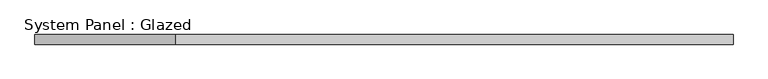
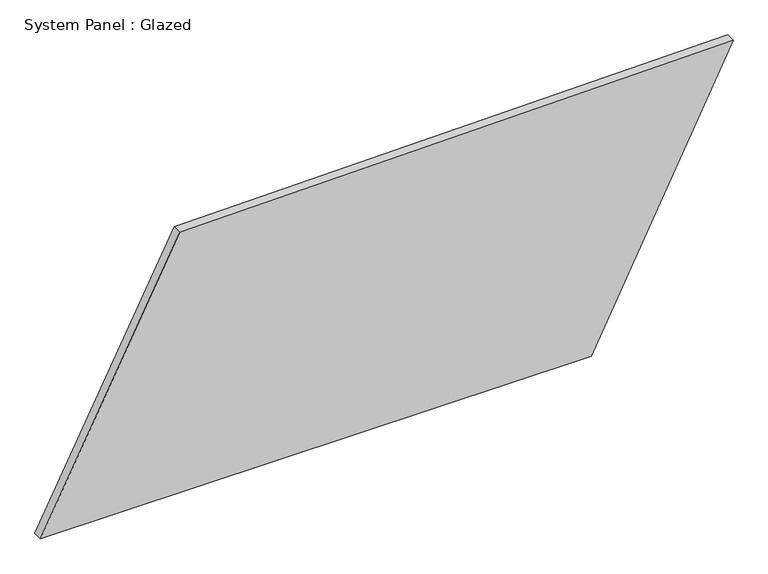
"""IFC4 building model written with IfcOpenShell, lengths in millimetres: plate geometry, System Panel : Glazed."""

from ifc_helpers import new_model, si_unit, frame, origin, place, context, project, spatial, polyline, outline, extrude, source, transform, mapped, element, save


def system_panel_glazed_56f5a49f(model_context):
    return source(origin(), model_context, "Body", "SweptSolid", [
        extrude(outline(polyline([(0.0, -909.4975696), (0.0, 537.2195327), (746.3662459, 909.4975696), (722.0465656, -544.2180234), (0.0, -909.4975696)])), frame((0.0, -49.5, 0.0), z_axis=(0.0, 1.0, 0.0), x_axis=(0.0, 0.0, 1.0)), (0.0, 0.0, 1.0), 25.0),
    ])


if __name__ == "__main__":
    model = new_model("IFC4")
    model_context = context("Model", 3, world=origin())
    ifc_project = project(units=[si_unit("LENGTHUNIT", "METRE", prefix="MILLI")], contexts=[model_context])
    site = spatial("IfcSite", under=ifc_project)
    building = spatial("IfcBuilding", under=site)
    placement = place(None, origin())
    system_panel_glazed_shape = system_panel_glazed_56f5a49f(model_context)
    element("IfcPlate", 1, ObjectType="System Panel : Glazed", at=placement, inside=building, context=model_context, shape_type="MappedRepresentation", body=[
        mapped(system_panel_glazed_shape, transform((0.0, 0.0, 0.0), x_axis=(1.0, 0.0, 0.0), y_axis=(0.0, 1.0, 0.0), z_axis=(0.0, 0.0, 1.0))),
    ])
    save(model, "model.ifc")
